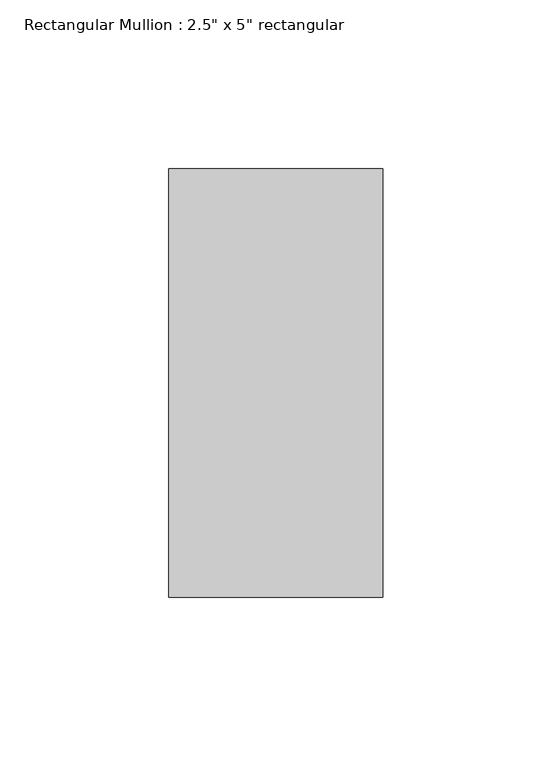
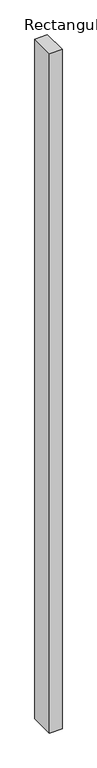
"""IFC4 building model written with IfcOpenShell, lengths in millimetres: member geometry."""

from ifc_helpers import new_model, si_unit, frame, origin, place, context, project, spatial, polyline, outline, extrude, source, transform, mapped, element, save


def member_82542600(model_context):
    return source(origin(), model_context, "Body", "SweptSolid", [
        extrude(outline(polyline([(31.75, 63.5), (31.75, -63.5), (-31.75, -63.5), (-31.75, 63.5), (31.75, 63.5)])), frame((0.0, 0.0, -3625.85), z_axis=(0.0, 0.0, 1.0), x_axis=(1.0, 0.0, 0.0)), (0.0, 0.0, 1.0), 3625.85),
    ])


if __name__ == "__main__":
    model = new_model("IFC4")
    model_context = context("Model", 3, world=origin())
    ifc_project = project(units=[si_unit("LENGTHUNIT", "METRE", prefix="MILLI")], contexts=[model_context])
    site = spatial("IfcSite", under=ifc_project)
    building = spatial("IfcBuilding", under=site)
    placement = place(None, origin())
    member_shape = member_82542600(model_context)
    element("IfcMember", 1, ObjectType="Rectangular Mullion : 2.5\" x 5\" rectangular", at=placement, inside=building, context=model_context, shape_type="MappedRepresentation", body=[
        mapped(member_shape, transform((0.0, 0.0, 0.0), x_axis=(1.0, 0.0, 0.0), y_axis=(0.0, 1.0, 0.0), z_axis=(0.0, 0.0, 1.0))),
    ])
    save(model, "model.ifc")
